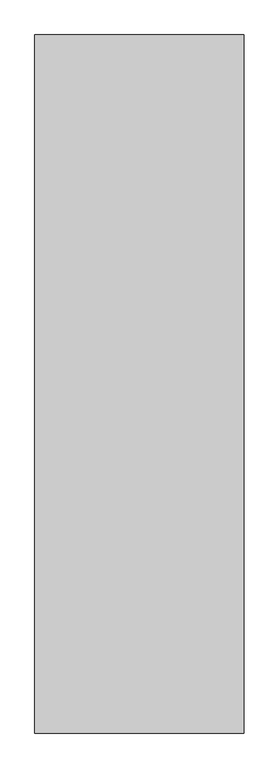
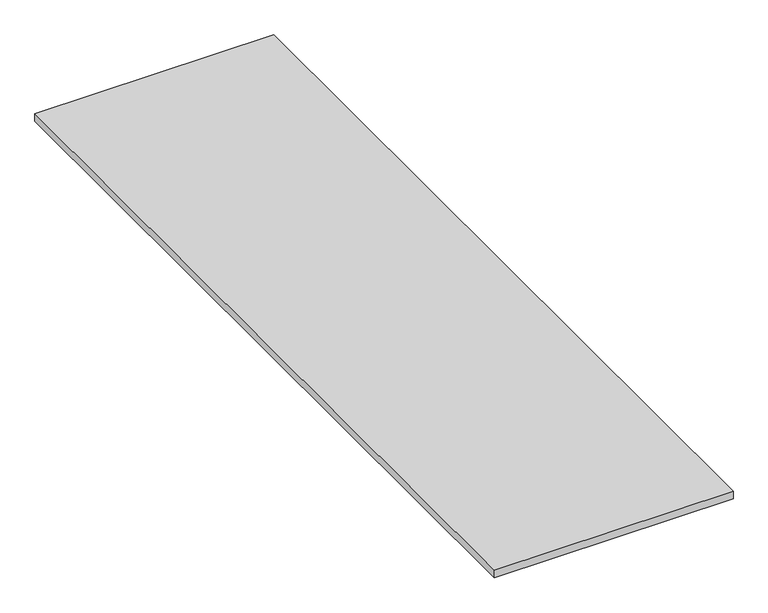
"""IFC4 building model written with IfcOpenShell, lengths in millimetres: proxy geometry."""

from ifc_helpers import new_model, si_unit, origin, origin_with_axes, place, context, project, spatial, polyline, outline, extrude, source, transform, mapped, element, save


def generic_models_f8dede35(model_context):
    return source(origin(), model_context, "Body", "SweptSolid", [
        extrude(outline(polyline([(11159.4865951, 7247.1625159), (11159.4865951, 5247.1625159), (10559.4865951, 5247.1625159), (10559.4865951, 7247.1625159), (11159.4865951, 7247.1625159)])), origin_with_axes(), (0.0, 0.0, 1.0), 20.0),
    ])


if __name__ == "__main__":
    model = new_model("IFC4")
    model_context = context("Model", 3, world=origin())
    ifc_project = project(units=[si_unit("LENGTHUNIT", "METRE", prefix="MILLI")], contexts=[model_context])
    site = spatial("IfcSite", under=ifc_project)
    building = spatial("IfcBuilding", under=site)
    placement = place(None, origin())
    generic_models_shape = generic_models_f8dede35(model_context)
    element("IfcBuildingElementProxy", 1, Name="Generic Models", at=placement, inside=building, context=model_context, shape_type="MappedRepresentation", body=[
        mapped(generic_models_shape, transform((0.0, 0.0, 0.0), x_axis=(1.0, 0.0, 0.0), y_axis=(0.0, 1.0, 0.0), z_axis=(0.0, 0.0, 1.0))),
    ])
    save(model, "model.ifc")
